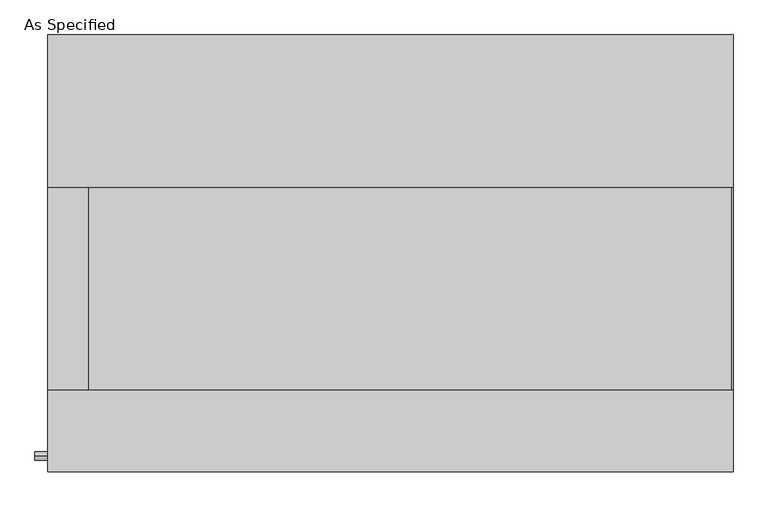
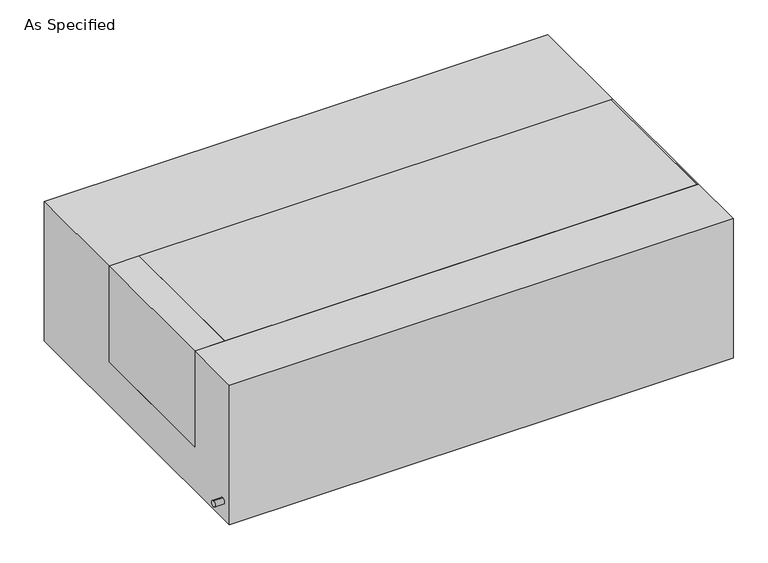
"""IFC4 building model written with IfcOpenShell, lengths in millimetres: proxy geometry, As Specified."""

from ifc_helpers import new_model, si_unit, point, frame, frame_2d, origin, place, context, project, spatial, polyline, circle_curve, trimmed, segment, composite_curve, outline, extrude, source, transform, mapped, element, save


def as_specified_80a5ad93(model_context):
    return source(origin(), model_context, "Body", "SweptSolid", [
        extrude(outline(composite_curve([segment(trimmed(circle_curve(frame_2d((-509.5875, -466.725)), 10.5), [point((-509.5875, -456.225))], [point((-509.5875, -477.225))], False, "CARTESIAN"), True, "CONTINUOUS"), segment(trimmed(circle_curve(frame_2d((-509.5875, -466.725)), 10.5), [point((-509.5875, -477.225))], [point((-509.5875, -456.225))], False, "CARTESIAN"), True, "CONTINUOUS")], self_intersect=False)), frame((-893.8528384, 0.0, 0.0), z_axis=(1.0, 0.0, 0.0), x_axis=(0.0, 1.0, 0.0)), (0.0, 0.0, 1.0), 31.8403384),
        extrude(outline(polyline([(-759.61875, 165.1), (-759.61875, -342.9), (-862.0125, -342.9), (-862.0125, 165.1), (-759.61875, 165.1)])), frame((0.0, 0.0, -373.0625), z_axis=(0.0, 0.0, 1.0), x_axis=(1.0, 0.0, 0.0)), (0.0, 0.0, 1.0), 347.6625),
        extrude(outline(polyline([(858.04375, 165.1), (862.0125, 165.1), (862.0125, -342.9), (858.04375, -342.9), (858.04375, 165.1)])), frame((0.0, 0.0, -39.6875), z_axis=(0.0, 0.0, 1.0), x_axis=(1.0, 0.0, 0.0)), (0.0, 0.0, 1.0), 14.2875),
        extrude(outline(polyline([(862.0125, 165.1), (862.0125, -342.9), (-759.61875, -342.9), (-759.61875, 165.1), (862.0125, 165.1)])), frame((0.0, 0.0, -373.0625), z_axis=(0.0, 0.0, 1.0), x_axis=(1.0, 0.0, 0.0)), (0.0, 0.0, 1.0), 347.6625),
        extrude(outline(polyline([(549.275, -25.4), (549.275, -530.225), (-549.275, -530.225), (-549.275, -25.4), (-342.9, -25.4), (-342.9, -373.0625), (165.1, -373.0625), (165.1, -25.4), (549.275, -25.4)])), frame((-862.0125, 0.0, 0.0), z_axis=(1.0, 0.0, 0.0), x_axis=(0.0, 1.0, 0.0)), (0.0, 0.0, 1.0), 1724.025),
    ])


if __name__ == "__main__":
    model = new_model("IFC4")
    model_context = context("Model", 3, world=origin())
    ifc_project = project(units=[si_unit("LENGTHUNIT", "METRE", prefix="MILLI")], contexts=[model_context])
    site = spatial("IfcSite", under=ifc_project)
    building = spatial("IfcBuilding", under=site)
    placement = place(None, origin())
    as_specified_shape = as_specified_80a5ad93(model_context)
    element("IfcBuildingElementProxy", 1, Name="As Specified", ObjectType="As Specified", at=placement, inside=building, context=model_context, shape_type="MappedRepresentation", body=[
        mapped(as_specified_shape, transform((0.0, 0.0, 0.0), x_axis=(1.0, 0.0, 0.0), y_axis=(0.0, 1.0, 0.0), z_axis=(0.0, 0.0, 1.0))),
    ])
    save(model, "model.ifc")
